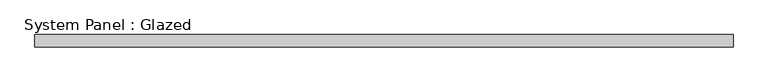
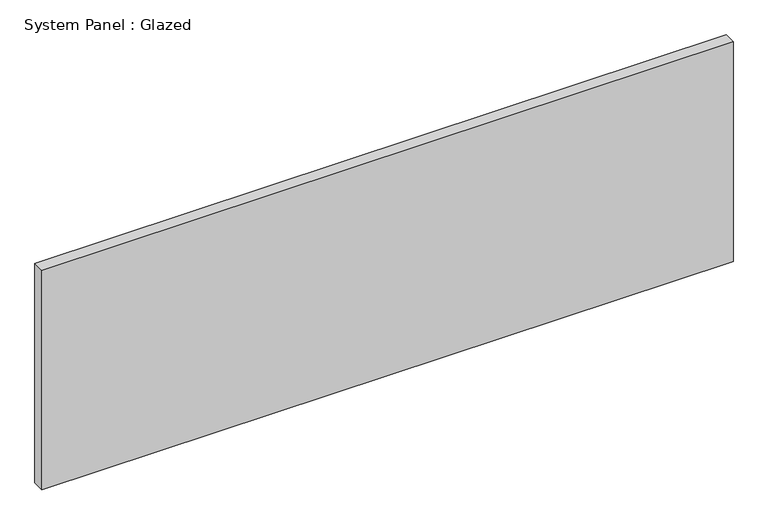
"""IFC4 building model written with IfcOpenShell, lengths in millimetres: plate geometry, System Panel : Glazed."""

from ifc_helpers import new_model, si_unit, origin, origin_with_axes, place, context, project, spatial, polyline, outline, extrude, source, transform, mapped, element, save


def system_panel_glazed_cd3fc171(model_context):
    return source(origin(), model_context, "Body", "SweptSolid", [
        extrude(outline(polyline([(707.0001553, 24.5), (-707.0001553, 24.5), (-707.0001553, 49.5), (707.0001553, 49.5), (707.0001553, 24.5)])), origin_with_axes(), (0.0, 0.0, 1.0), 475.0),
    ])


if __name__ == "__main__":
    model = new_model("IFC4")
    model_context = context("Model", 3, world=origin())
    ifc_project = project(units=[si_unit("LENGTHUNIT", "METRE", prefix="MILLI")], contexts=[model_context])
    site = spatial("IfcSite", under=ifc_project)
    building = spatial("IfcBuilding", under=site)
    placement = place(None, origin())
    system_panel_glazed_shape = system_panel_glazed_cd3fc171(model_context)
    element("IfcPlate", 1, ObjectType="System Panel : Glazed", at=placement, inside=building, context=model_context, shape_type="MappedRepresentation", body=[
        mapped(system_panel_glazed_shape, transform((0.0, 0.0, 0.0), x_axis=(1.0, 0.0, 0.0), y_axis=(0.0, 1.0, 0.0), z_axis=(0.0, 0.0, 1.0))),
    ])
    save(model, "model.ifc")
